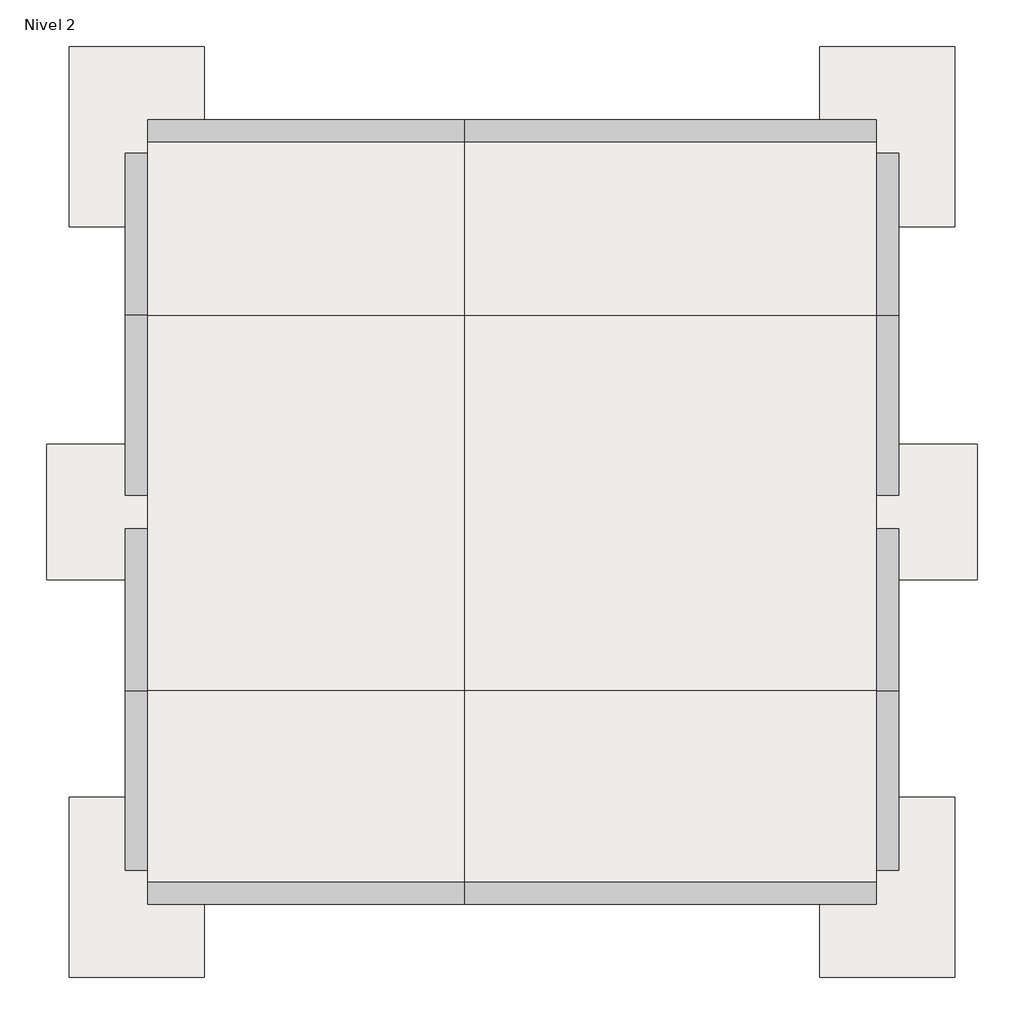
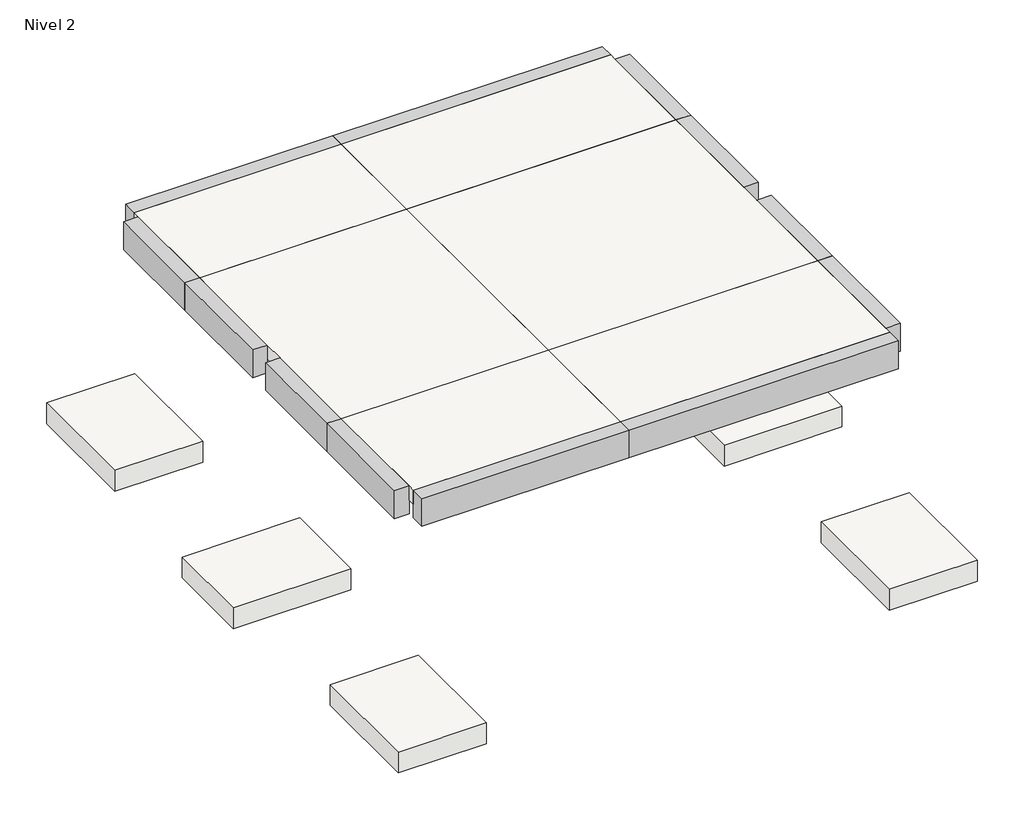
# One storey: 7 slabs, 6 beams.
"""IFC4 building model written with IfcOpenShell, lengths in millimetres."""

from ifc_helpers import new_model, si_unit, frame, origin, place, context, project, spatial, polyline, outline, extrude, faceted_brep, element, save

model = new_model("IFC4")

# Units and contexts
model_context = context("Model", 3, world=origin())
ifc_project = project(units=[si_unit("LENGTHUNIT", "METRE", prefix="MILLI")], contexts=[model_context])

# Site, building, storey
site = spatial("IfcSite", under=ifc_project)
building = spatial("IfcBuilding", under=site)
storey = spatial("IfcBuildingStorey", under=building, Name="Nivel 2", Elevation=3000.0)

# Beams
placement = place(None, origin())
element("IfcBeam", 1, ObjectType="300 x 600mm", at=placement, inside=storey, context=model_context, shape_type="SweptSolid", body=[
    extrude(outline(polyline([(-8500.8461664, 2331.9746606), (-8800.8461664, 2331.9746606), (-8800.8461664, 4724.3761131), (-8500.8461664, 4724.3761131), (-8500.8461664, 2331.9746606)])), frame((0.0, 0.0, 2400.0), z_axis=(0.0, 0.0, 1.0), x_axis=(1.0, 0.0, 0.0)), (0.0, 0.0, 1.0), 600.0),
    extrude(outline(polyline([(-8800.8461664, 6881.9746606), (-8500.8461664, 6881.9746606), (-8500.8461664, 4724.3761131), (-8800.8461664, 4724.3761131), (-8800.8461664, 6881.9746606)])), frame((0.0, 0.0, 2400.0), z_axis=(0.0, 0.0, 1.0), x_axis=(1.0, 0.0, 0.0)), (0.0, 0.0, 1.0), 600.0),
])
element("IfcBeam", 2, ObjectType="300 x 600mm", at=placement, inside=storey, context=model_context, shape_type="SweptSolid", body=[
    extrude(outline(polyline([(-8800.8461664, 1881.9746606), (-8500.8461664, 1881.9746606), (-8500.8461664, -275.6238869), (-8800.8461664, -275.6238869), (-8800.8461664, 1881.9746606)])), frame((0.0, 0.0, 2400.0), z_axis=(0.0, 0.0, 1.0), x_axis=(1.0, 0.0, 0.0)), (0.0, 0.0, 1.0), 600.0),
    extrude(outline(polyline([(-8500.8461664, -2668.0253394), (-8800.8461664, -2668.0253394), (-8800.8461664, -275.6238869), (-8500.8461664, -275.6238869), (-8500.8461664, -2668.0253394)])), frame((0.0, 0.0, 2400.0), z_axis=(0.0, 0.0, 1.0), x_axis=(1.0, 0.0, 0.0)), (0.0, 0.0, 1.0), 600.0),
])
element("IfcBeam", 3, ObjectType="300 x 600mm", at=placement, inside=storey, context=model_context, shape_type="Brep", body=[
    faceted_brep([(-4289.5823437, -2818.0253394, 3000.0), (-4289.5823437, -3118.0253394, 3000.0), (-4289.5823437, -3118.0253394, 2400.0), (-4289.5823437, -2818.0253394, 2400.0), (-8500.8461664, -2818.0253394, 3000.0), (-8500.8461664, -3118.0253394, 3000.0), (-8500.8461664, -3118.0253394, 2400.0), (-8500.8461664, -2818.0253394, 2400.0), (-8500.8461664, -2818.0253394, 2700.0)], [[[0, 1, 2, 3]], [[4, 5, 1, 0]], [[5, 6, 2, 1]], [[6, 7, 3, 2]], [[7, 8, 4, 0, 3]], [[5, 4, 8, 7, 6]]]),
    faceted_brep([(-4289.5823437, -3118.0253394, 3000.0), (-4289.5823437, -2818.0253394, 3000.0), (-4289.5823437, -2818.0253394, 2400.0), (-4289.5823437, -3118.0253394, 2400.0), (1199.1538336, -3118.0253394, 3000.0), (1199.1538336, -2818.0253394, 3000.0), (1199.1538336, -3118.0253394, 2400.0), (1199.1538336, -2818.0253394, 2400.0), (1199.1538336, -2818.0253394, 2700.0)], [[[0, 1, 2, 3]], [[4, 5, 1, 0]], [[6, 4, 0, 3]], [[7, 6, 3, 2]], [[5, 8, 7, 2, 1]], [[5, 4, 6, 7, 8]]]),
])
element("IfcBeam", 4, ObjectType="300 x 600mm", at=placement, inside=storey, context=model_context, shape_type="SweptSolid", body=[
    extrude(outline(polyline([(1199.1538336, 1881.9746606), (1499.1538336, 1881.9746606), (1499.1538336, -275.6238869), (1199.1538336, -275.6238869), (1199.1538336, 1881.9746606)])), frame((0.0, 0.0, 2400.0), z_axis=(0.0, 0.0, 1.0), x_axis=(1.0, 0.0, 0.0)), (0.0, 0.0, 1.0), 600.0),
    extrude(outline(polyline([(1499.1538336, -2668.0253394), (1199.1538336, -2668.0253394), (1199.1538336, -275.6238869), (1499.1538336, -275.6238869), (1499.1538336, -2668.0253394)])), frame((0.0, 0.0, 2400.0), z_axis=(0.0, 0.0, 1.0), x_axis=(1.0, 0.0, 0.0)), (0.0, 0.0, 1.0), 600.0),
])
element("IfcBeam", 5, ObjectType="300 x 600mm", at=placement, inside=storey, context=model_context, shape_type="SweptSolid", body=[
    extrude(outline(polyline([(1199.1538336, 6881.9746606), (1499.1538336, 6881.9746606), (1499.1538336, 4724.3761131), (1199.1538336, 4724.3761131), (1199.1538336, 6881.9746606)])), frame((0.0, 0.0, 2400.0), z_axis=(0.0, 0.0, 1.0), x_axis=(1.0, 0.0, 0.0)), (0.0, 0.0, 1.0), 600.0),
    extrude(outline(polyline([(1499.1538336, 2331.9746606), (1199.1538336, 2331.9746606), (1199.1538336, 4724.3761131), (1499.1538336, 4724.3761131), (1499.1538336, 2331.9746606)])), frame((0.0, 0.0, 2400.0), z_axis=(0.0, 0.0, 1.0), x_axis=(1.0, 0.0, 0.0)), (0.0, 0.0, 1.0), 600.0),
])
element("IfcBeam", 6, ObjectType="300 x 600mm", at=placement, inside=storey, context=model_context, shape_type="Brep", body=[
    faceted_brep([(-4289.5823437, 7331.9746606, 3000.0), (-4289.5823437, 7031.9746606, 3000.0), (-4289.5823437, 7031.9746606, 2400.0), (-4289.5823437, 7331.9746606, 2400.0), (-8500.8461664, 7331.9746606, 3000.0), (-8500.8461664, 7031.9746606, 3000.0), (-8500.8461664, 7331.9746606, 2400.0), (-8500.8461664, 7031.9746606, 2400.0), (-8500.8461664, 7031.9746606, 2700.0)], [[[0, 1, 2, 3]], [[4, 5, 1, 0]], [[6, 4, 0, 3]], [[7, 6, 3, 2]], [[5, 8, 7, 2, 1]], [[5, 4, 6, 7, 8]]]),
    faceted_brep([(-4289.5823437, 7031.9746606, 3000.0), (-4289.5823437, 7331.9746606, 3000.0), (-4289.5823437, 7331.9746606, 2400.0), (-4289.5823437, 7031.9746606, 2400.0), (1199.1538336, 7031.9746606, 3000.0), (1199.1538336, 7331.9746606, 3000.0), (1199.1538336, 7331.9746606, 2400.0), (1199.1538336, 7031.9746606, 2400.0), (1199.1538336, 7031.9746606, 2700.0)], [[[0, 1, 2, 3]], [[4, 5, 1, 0]], [[5, 6, 2, 1]], [[6, 7, 3, 2]], [[7, 8, 4, 0, 3]], [[5, 4, 8, 7, 6]]]),
])

# Slabs
element("IfcSlab", 7, at=placement, inside=storey, context=model_context, shape_type="Brep", body=[
    faceted_brep([(-4289.5823437, -275.6238869, 3000.0), (-4289.5823437, -275.6238869, 2700.0), (-8500.8461664, -275.6238869, 2700.0), (-8500.8461664, -275.6238869, 3000.0), (-4289.5823437, -2818.0253394, 3000.0), (-4289.5823437, -2818.0253394, 2700.0), (-8500.8461664, -2818.0253394, 2700.0), (-8500.8461664, -2668.0253394, 3000.0), (-8500.8461664, -2818.0253394, 3000.0)], [[[0, 1, 2, 3]], [[1, 0, 4, 5]], [[5, 6, 2, 1]], [[7, 8, 4, 0, 3]], [[8, 6, 5, 4]], [[8, 7, 3, 2, 6]]]),
    faceted_brep([(-4289.5823437, 4724.3761131, 3000.0), (-4289.5823437, 4724.3761131, 2700.0), (-4289.5823437, 7031.9746606, 2700.0), (-4289.5823437, 7031.9746606, 3000.0), (-8500.8461664, 4724.3761131, 3000.0), (-8500.8461664, 4724.3761131, 2700.0), (-8500.8461664, 7031.9746606, 2700.0), (-8500.8461664, 7031.9746606, 3000.0), (-8500.8461664, 6881.9746606, 3000.0)], [[[0, 1, 2, 3]], [[1, 0, 4, 5]], [[5, 6, 2, 1]], [[7, 8, 4, 0, 3]], [[8, 7, 6, 5, 4]], [[6, 7, 3, 2]]]),
    faceted_brep([(-4289.5823437, -275.6238869, 2700.0), (-4289.5823437, -275.6238869, 3000.0), (-8500.8461664, -275.6238869, 3000.0), (-8500.8461664, -275.6238869, 2700.0), (-4289.5823437, 4724.3761131, 3000.0), (-4289.5823437, 4724.3761131, 2700.0), (-8500.8461664, 4724.3761131, 2700.0), (-8500.8461664, 4724.3761131, 3000.0), (-8500.8461664, 2331.9746606, 3000.0), (-8500.8461664, 1881.9746606, 3000.0)], [[[0, 1, 2, 3]], [[4, 5, 6, 7]], [[5, 4, 1, 0]], [[3, 6, 5, 0]], [[8, 9, 2, 1, 4, 7]], [[9, 8, 7, 6, 3, 2]]]),
    faceted_brep([(-4289.5823437, 4724.3761131, 2700.0), (-4289.5823437, 4724.3761131, 3000.0), (-4289.5823437, 7031.9746606, 3000.0), (-4289.5823437, 7031.9746606, 2700.0), (1199.1538336, 4724.3761131, 2700.0), (1199.1538336, 4724.3761131, 3000.0), (1199.1538336, 7031.9746606, 2700.0), (1199.1538336, 6881.9746606, 3000.0), (1199.1538336, 7031.9746606, 3000.0)], [[[0, 1, 2, 3]], [[1, 0, 4, 5]], [[6, 4, 0, 3]], [[7, 8, 2, 1, 5]], [[8, 7, 5, 4, 6]], [[8, 6, 3, 2]]]),
    faceted_brep([(-4289.5823437, -275.6238869, 3000.0), (-4289.5823437, -275.6238869, 2700.0), (-4289.5823437, -2818.0253394, 2700.0), (-4289.5823437, -2818.0253394, 3000.0), (1199.1538336, -275.6238869, 3000.0), (1199.1538336, -275.6238869, 2700.0), (1199.1538336, -2818.0253394, 2700.0), (1199.1538336, -2818.0253394, 3000.0), (1199.1538336, -2668.0253394, 3000.0)], [[[0, 1, 2, 3]], [[1, 0, 4, 5]], [[5, 6, 2, 1]], [[7, 8, 4, 0, 3]], [[8, 7, 6, 5, 4]], [[6, 7, 3, 2]]]),
    faceted_brep([(-4289.5823437, -275.6238869, 3000.0), (-4289.5823437, -275.6238869, 2700.0), (1199.1538336, -275.6238869, 2700.0), (1199.1538336, -275.6238869, 3000.0), (-4289.5823437, 4724.3761131, 3000.0), (-4289.5823437, 4724.3761131, 2700.0), (1199.1538336, 4724.3761131, 3000.0), (1199.1538336, 4724.3761131, 2700.0), (1199.1538336, 1881.9746606, 3000.0), (1199.1538336, 2331.9746606, 3000.0)], [[[0, 1, 2, 3]], [[1, 0, 4, 5]], [[5, 4, 6, 7]], [[7, 2, 1, 5]], [[8, 9, 6, 4, 0, 3]], [[9, 8, 3, 2, 7, 6]]]),
])
element("IfcSlab", 8, ObjectType="M_Zapata-Rectangular : 2400 x 1800 x 450mm", at=placement, inside=storey, context=model_context, shape_type="SweptSolid", body=[
    extrude(outline(polyline([(-7750.8461664, 8306.9746606), (-7750.8461664, 5906.9746606), (-9550.8461664, 5906.9746606), (-9550.8461664, 8306.9746606), (-7750.8461664, 8306.9746606)])), frame((0.0, 0.0, -1950.0), z_axis=(0.0, 0.0, 1.0), x_axis=(1.0, 0.0, 0.0)), (0.0, 0.0, 1.0), 450.0),
])
element("IfcSlab", 9, ObjectType="M_Zapata-Rectangular : 2400 x 1800 x 450mm", at=placement, inside=storey, context=model_context, shape_type="SweptSolid", body=[
    extrude(outline(polyline([(-7750.8461664, -1693.0253394), (-7750.8461664, -4093.0253394), (-9550.8461664, -4093.0253394), (-9550.8461664, -1693.0253394), (-7750.8461664, -1693.0253394)])), frame((0.0, 0.0, -1950.0), z_axis=(0.0, 0.0, 1.0), x_axis=(1.0, 0.0, 0.0)), (0.0, 0.0, 1.0), 450.0),
])
element("IfcSlab", 10, ObjectType="M_Zapata-Rectangular : 2400 x 1800 x 450mm", at=placement, inside=storey, context=model_context, shape_type="SweptSolid", body=[
    extrude(outline(polyline([(-9850.8461664, 3006.9746606), (-7450.8461664, 3006.9746606), (-7450.8461664, 1206.9746606), (-9850.8461664, 1206.9746606), (-9850.8461664, 3006.9746606)])), frame((0.0, 0.0, -1950.0), z_axis=(0.0, 0.0, 1.0), x_axis=(1.0, 0.0, 0.0)), (0.0, 0.0, 1.0), 450.0),
])
element("IfcSlab", 11, ObjectType="M_Zapata-Rectangular : 2400 x 1800 x 450mm", at=placement, inside=storey, context=model_context, shape_type="SweptSolid", body=[
    extrude(outline(polyline([(2249.1538336, 8306.9746606), (2249.1538336, 5906.9746606), (449.1538336, 5906.9746606), (449.1538336, 8306.9746606), (2249.1538336, 8306.9746606)])), frame((0.0, 0.0, -1950.0), z_axis=(0.0, 0.0, 1.0), x_axis=(1.0, 0.0, 0.0)), (0.0, 0.0, 1.0), 450.0),
])
element("IfcSlab", 12, ObjectType="M_Zapata-Rectangular : 2400 x 1800 x 450mm", at=placement, inside=storey, context=model_context, shape_type="SweptSolid", body=[
    extrude(outline(polyline([(2249.1538336, -1693.0253394), (2249.1538336, -4093.0253394), (449.1538336, -4093.0253394), (449.1538336, -1693.0253394), (2249.1538336, -1693.0253394)])), frame((0.0, 0.0, -1950.0), z_axis=(0.0, 0.0, 1.0), x_axis=(1.0, 0.0, 0.0)), (0.0, 0.0, 1.0), 450.0),
])
element("IfcSlab", 13, ObjectType="M_Zapata-Rectangular : 2400 x 1800 x 450mm", at=placement, inside=storey, context=model_context, shape_type="SweptSolid", body=[
    extrude(outline(polyline([(149.1538336, 3006.9746606), (2549.1538336, 3006.9746606), (2549.1538336, 1206.9746606), (149.1538336, 1206.9746606), (149.1538336, 3006.9746606)])), frame((0.0, 0.0, -1950.0), z_axis=(0.0, 0.0, 1.0), x_axis=(1.0, 0.0, 0.0)), (0.0, 0.0, 1.0), 450.0),
])

save(model, "model.ifc")
